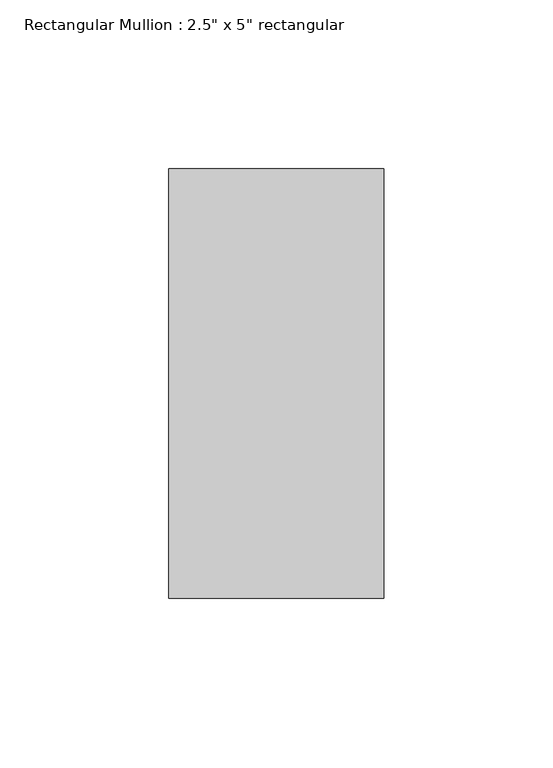
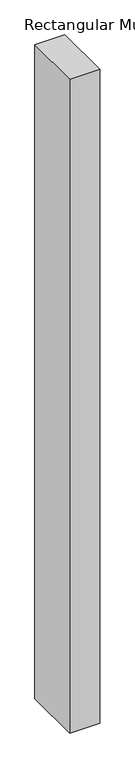
"""IFC4 building model written with IfcOpenShell, lengths in millimetres: member geometry."""

from ifc_helpers import new_model, si_unit, frame, origin, place, context, project, spatial, polyline, outline, extrude, source, transform, mapped, element, save


def member_1f7e5a3f(model_context):
    return source(origin(), model_context, "Body", "SweptSolid", [
        extrude(outline(polyline([(31.75, 63.5), (31.75, -63.5), (-31.75, -63.5), (-31.75, 63.5), (31.75, 63.5)])), frame((0.0, 0.0, -1460.4999999), z_axis=(0.0, 0.0, 1.0), x_axis=(1.0, 0.0, 0.0)), (0.0, 0.0, 1.0), 1460.4999999),
    ])


if __name__ == "__main__":
    model = new_model("IFC4")
    model_context = context("Model", 3, world=origin())
    ifc_project = project(units=[si_unit("LENGTHUNIT", "METRE", prefix="MILLI")], contexts=[model_context])
    site = spatial("IfcSite", under=ifc_project)
    building = spatial("IfcBuilding", under=site)
    placement = place(None, origin())
    member_shape = member_1f7e5a3f(model_context)
    element("IfcMember", 1, ObjectType="Rectangular Mullion : 2.5\" x 5\" rectangular", at=placement, inside=building, context=model_context, shape_type="MappedRepresentation", body=[
        mapped(member_shape, transform((0.0, 0.0, 0.0), x_axis=(1.0, 0.0, 0.0), y_axis=(0.0, 1.0, 0.0), z_axis=(0.0, 0.0, 1.0))),
    ])
    save(model, "model.ifc")
